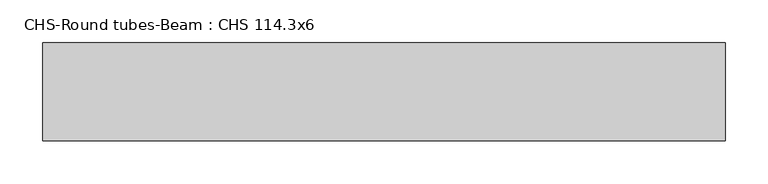
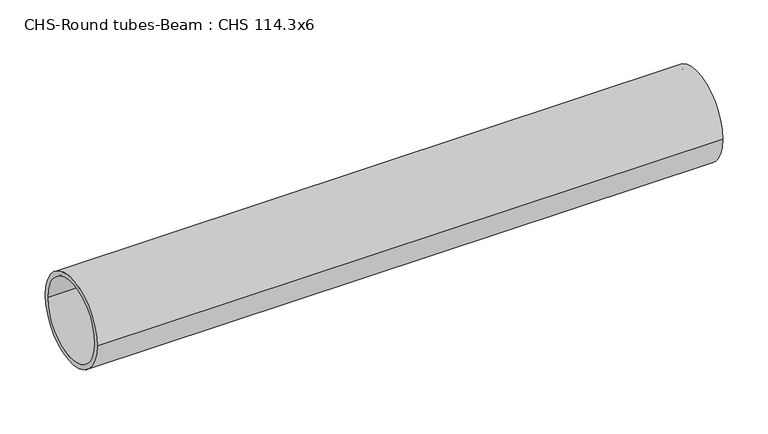
"""IFC4 building model written with IfcOpenShell, lengths in millimetres: beam geometry, CHS-Round tubes-Beam : CHS 114.3x6."""

from ifc_helpers import new_model, si_unit, point, frame, origin, origin_2d, place, context, project, spatial, circle_curve, trimmed, segment, composite_curve, outline, extrude, source, transform, mapped, element, save


def chs_round_tubes_beam_chs_114_3x6_a5aa69a9(model_context):
    return source(origin(), model_context, "Body", "SweptSolid", [
        extrude(outline(composite_curve([segment(trimmed(circle_curve(origin_2d(), 57.15), [point((57.15, 0.0))], [point((-57.15, 0.0))], False, "CARTESIAN"), True, "CONTINUOUS"), segment(trimmed(circle_curve(origin_2d(), 57.15), [point((-57.15, 0.0))], [point((57.15, 0.0))], False, "CARTESIAN"), True, "CONTINUOUS")], self_intersect=False), holes=[composite_curve([segment(trimmed(circle_curve(origin_2d(), 51.15), [point((51.15, 0.0))], [point((-51.15, 0.0))], True, "CARTESIAN"), True, "CONTINUOUS"), segment(trimmed(circle_curve(origin_2d(), 51.15), [point((-51.15, 0.0))], [point((51.15, 0.0))], True, "CARTESIAN"), True, "CONTINUOUS")], self_intersect=False)]), frame((-403.7588759, 0.0, 0.0), z_axis=(1.0, 0.0, 0.0), x_axis=(0.0, 1.0, 0.0)), (0.0, 0.0, 1.0), 796.3889237),
    ])


if __name__ == "__main__":
    model = new_model("IFC4")
    model_context = context("Model", 3, world=origin())
    ifc_project = project(units=[si_unit("LENGTHUNIT", "METRE", prefix="MILLI")], contexts=[model_context])
    site = spatial("IfcSite", under=ifc_project)
    building = spatial("IfcBuilding", under=site)
    placement = place(None, origin())
    chs_round_tubes_beam_chs_114_3x6_shape = chs_round_tubes_beam_chs_114_3x6_a5aa69a9(model_context)
    element("IfcBeam", 1, ObjectType="CHS-Round tubes-Beam : CHS 114.3x6", at=placement, inside=building, context=model_context, shape_type="MappedRepresentation", body=[
        mapped(chs_round_tubes_beam_chs_114_3x6_shape, transform((0.0, 0.0, 0.0), x_axis=(1.0, 0.0, 0.0), y_axis=(0.0, 1.0, 0.0), z_axis=(0.0, 0.0, 1.0))),
    ])
    save(model, "model.ifc")
